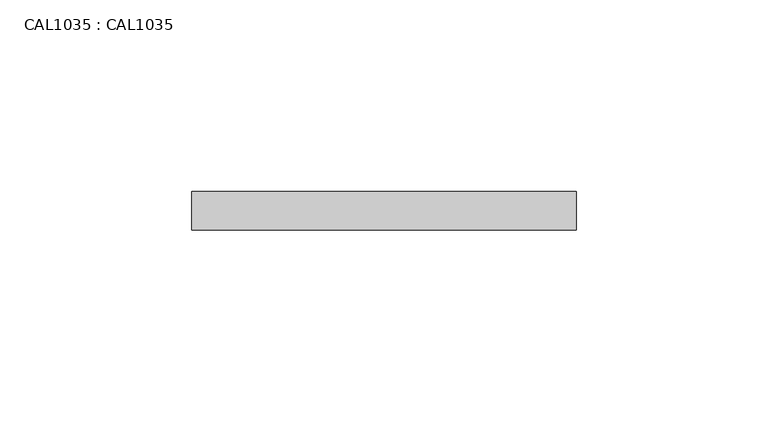
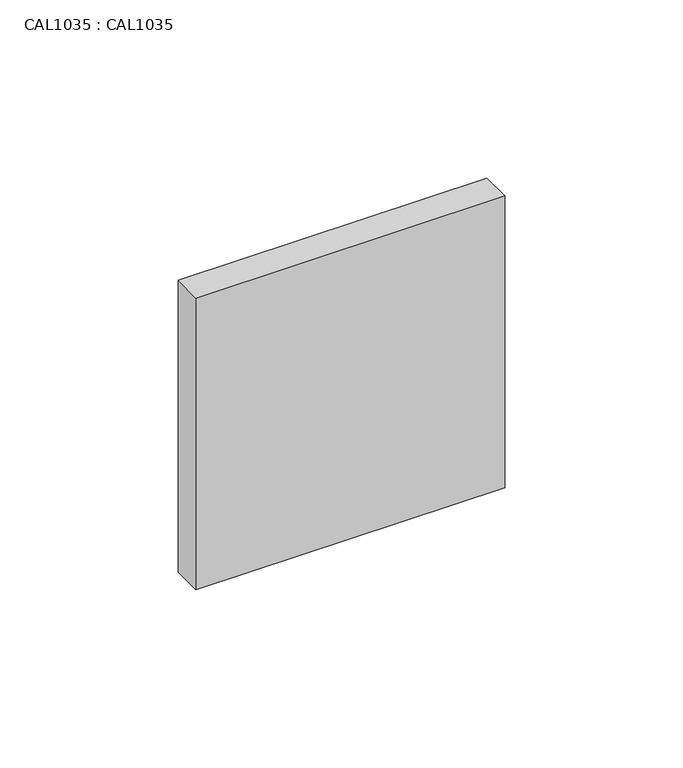
"""IFC4 building model written with IfcOpenShell, lengths in millimetres: proxy geometry, CAL1035 : CAL1035."""

from ifc_helpers import new_model, si_unit, frame, origin, place, context, project, spatial, polyline, outline, extrude, source, transform, mapped, element, save


def cal1035_cal1035_fcad8c2b(model_context):
    return source(origin(), model_context, "Body", "SweptSolid", [
        extrude(outline(polyline([(50.0000004, 0.0), (50.0000004, -10.0000005), (-50.0000004, -10.0000005), (-50.0000004, 0.0), (50.0000004, 0.0)])), frame((0.0, 0.0, -50.0000004), z_axis=(0.0, 0.0, 1.0), x_axis=(1.0, 0.0, 0.0)), (0.0, 0.0, 1.0), 100.0000008),
    ])


if __name__ == "__main__":
    model = new_model("IFC4")
    model_context = context("Model", 3, world=origin())
    ifc_project = project(units=[si_unit("LENGTHUNIT", "METRE", prefix="MILLI")], contexts=[model_context])
    site = spatial("IfcSite", under=ifc_project)
    building = spatial("IfcBuilding", under=site)
    placement = place(None, origin())
    cal1035_cal1035_shape = cal1035_cal1035_fcad8c2b(model_context)
    element("IfcBuildingElementProxy", 1, Name="CAL1035 : CAL1035", ObjectType="CAL1035 : CAL1035", at=placement, inside=building, context=model_context, shape_type="MappedRepresentation", body=[
        mapped(cal1035_cal1035_shape, transform((0.0, 0.0, 0.0), x_axis=(1.0, 0.0, 0.0), y_axis=(0.0, 1.0, 0.0), z_axis=(0.0, 0.0, 1.0))),
    ])
    save(model, "model.ifc")
